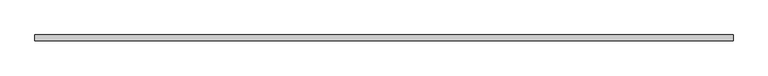
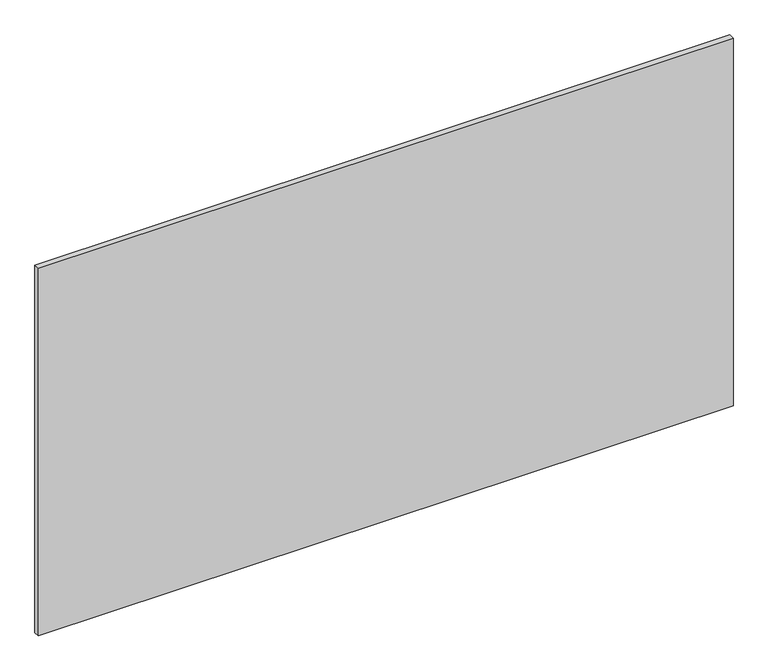
"""IFC4 building model written with IfcOpenShell, lengths in millimetres: plate geometry."""

from ifc_helpers import new_model, si_unit, origin, origin_with_axes, place, context, project, spatial, polyline, outline, extrude, source, transform, mapped, element, save


def plate_036f25c7(model_context):
    return source(origin(), model_context, "Body", "SweptSolid", [
        extrude(outline(polyline([(612.5, -20.0), (612.5, -30.0), (-612.5, -30.0), (-612.5, -20.0), (612.5, -20.0)])), origin_with_axes(), (0.0, 0.0, 1.0), 685.0),
    ])


if __name__ == "__main__":
    model = new_model("IFC4")
    model_context = context("Model", 3, world=origin())
    ifc_project = project(units=[si_unit("LENGTHUNIT", "METRE", prefix="MILLI")], contexts=[model_context])
    site = spatial("IfcSite", under=ifc_project)
    building = spatial("IfcBuilding", under=site)
    placement = place(None, origin())
    plate_shape = plate_036f25c7(model_context)
    element("IfcPlate", 1, at=placement, inside=building, context=model_context, shape_type="MappedRepresentation", body=[
        mapped(plate_shape, transform((0.0, 0.0, 0.0), x_axis=(1.0, 0.0, 0.0), y_axis=(0.0, 1.0, 0.0), z_axis=(0.0, 0.0, 1.0))),
    ])
    save(model, "model.ifc")
